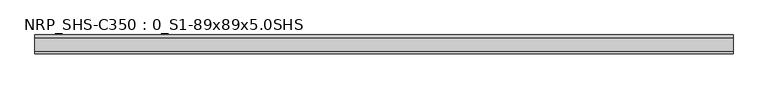
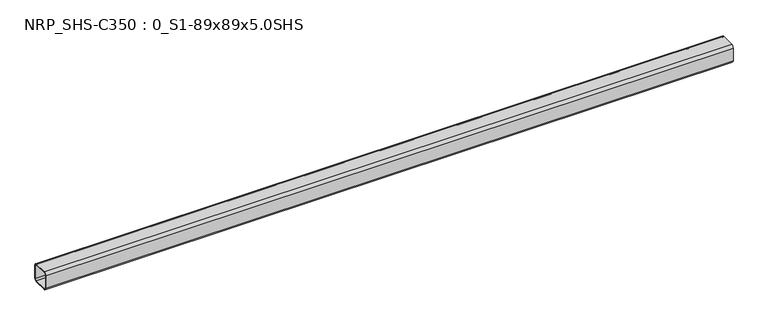
"""IFC4 building model written with IfcOpenShell, lengths in millimetres: beam geometry, NRP_SHS-C350 : 0_S1-89x89x5.0SHS."""

from ifc_helpers import new_model, si_unit, point, frame, frame_2d, origin, place, context, project, spatial, polyline, circle_curve, trimmed, segment, composite_curve, outline, extrude, source, transform, mapped, element, save


def nrp_shs_c350_0_s1_89x89x5_0shs_c0f7e44c(model_context):
    return source(origin(), model_context, "Body", "SweptSolid", [
        extrude(outline(composite_curve([segment(polyline([(44.5, 32.0), (44.5, -32.0)]), True, "CONTINUOUS"), segment(trimmed(circle_curve(frame_2d((32.0, -32.0)), 12.5), [point((44.5, -32.0))], [point((32.0, -44.5))], False, "CARTESIAN"), True, "CONTINUOUS"), segment(polyline([(32.0, -44.5), (-32.0, -44.5)]), True, "CONTINUOUS"), segment(trimmed(circle_curve(frame_2d((-32.0, -32.0)), 12.5), [point((-32.0, -44.5))], [point((-44.5, -32.0))], False, "CARTESIAN"), True, "CONTINUOUS"), segment(polyline([(-44.5, -32.0), (-44.5, 32.0)]), True, "CONTINUOUS"), segment(trimmed(circle_curve(frame_2d((-32.0, 32.0)), 12.5), [point((-44.5, 32.0))], [point((-32.0, 44.5))], False, "CARTESIAN"), True, "CONTINUOUS"), segment(polyline([(-32.0, 44.5), (32.0, 44.5)]), True, "CONTINUOUS"), segment(trimmed(circle_curve(frame_2d((32.0, 32.0)), 12.5), [point((32.0, 44.5))], [point((44.5, 32.0))], False, "CARTESIAN"), True, "CONTINUOUS")], self_intersect=False), holes=[composite_curve([segment(trimmed(circle_curve(frame_2d((-32.0, 32.0)), 7.5), [point((-32.0, 39.5))], [point((-39.5, 32.0))], True, "CARTESIAN"), True, "CONTINUOUS"), segment(polyline([(-39.5, 32.0), (-39.5, -32.0)]), True, "CONTINUOUS"), segment(trimmed(circle_curve(frame_2d((-32.0, -32.0)), 7.5), [point((-39.5, -32.0))], [point((-32.0, -39.5))], True, "CARTESIAN"), True, "CONTINUOUS"), segment(polyline([(-32.0, -39.5), (32.0, -39.5)]), True, "CONTINUOUS"), segment(trimmed(circle_curve(frame_2d((32.0, -32.0)), 7.5), [point((32.0, -39.5))], [point((39.5, -32.0))], True, "CARTESIAN"), True, "CONTINUOUS"), segment(polyline([(39.5, -32.0), (39.5, 32.0)]), True, "CONTINUOUS"), segment(trimmed(circle_curve(frame_2d((32.0, 32.0)), 7.5), [point((39.5, 32.0))], [point((32.0, 39.5))], True, "CARTESIAN"), True, "CONTINUOUS"), segment(polyline([(32.0, 39.5), (-32.0, 39.5)]), True, "CONTINUOUS")], self_intersect=False)]), frame((-1657.0, 0.0, 0.0), z_axis=(1.0, 0.0, 0.0), x_axis=(0.0, 1.0, 0.0)), (0.0, 0.0, 1.0), 3297.0),
    ])


if __name__ == "__main__":
    model = new_model("IFC4")
    model_context = context("Model", 3, world=origin())
    ifc_project = project(units=[si_unit("LENGTHUNIT", "METRE", prefix="MILLI")], contexts=[model_context])
    site = spatial("IfcSite", under=ifc_project)
    building = spatial("IfcBuilding", under=site)
    placement = place(None, origin())
    nrp_shs_c350_0_s1_89x89x5_0shs_shape = nrp_shs_c350_0_s1_89x89x5_0shs_c0f7e44c(model_context)
    element("IfcBeam", 1, ObjectType="NRP_SHS-C350 : 0_S1-89x89x5.0SHS", at=placement, inside=building, context=model_context, shape_type="MappedRepresentation", body=[
        mapped(nrp_shs_c350_0_s1_89x89x5_0shs_shape, transform((0.0, 0.0, 0.0), x_axis=(1.0, 0.0, 0.0), y_axis=(0.0, 1.0, 0.0), z_axis=(0.0, 0.0, 1.0))),
    ])
    save(model, "model.ifc")
